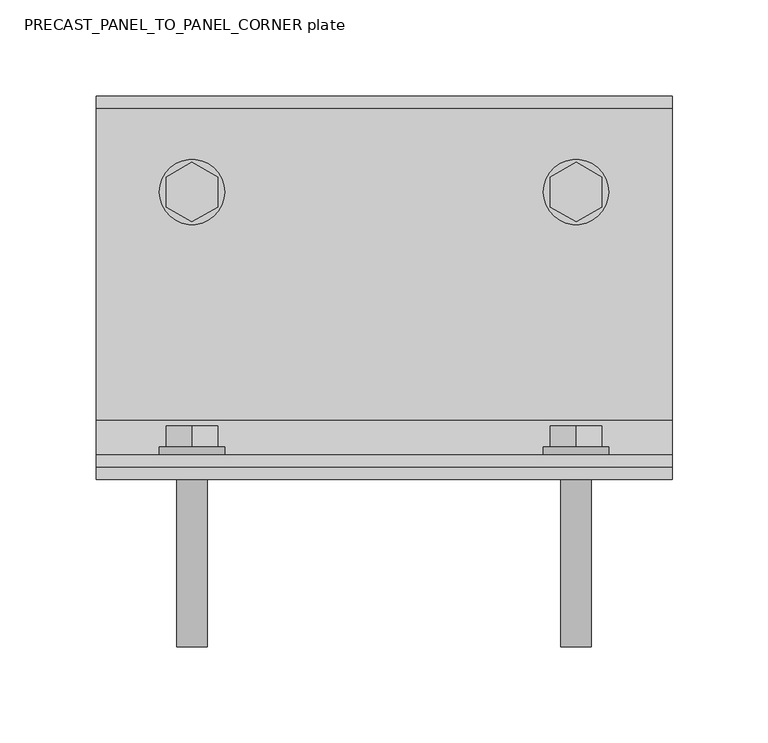
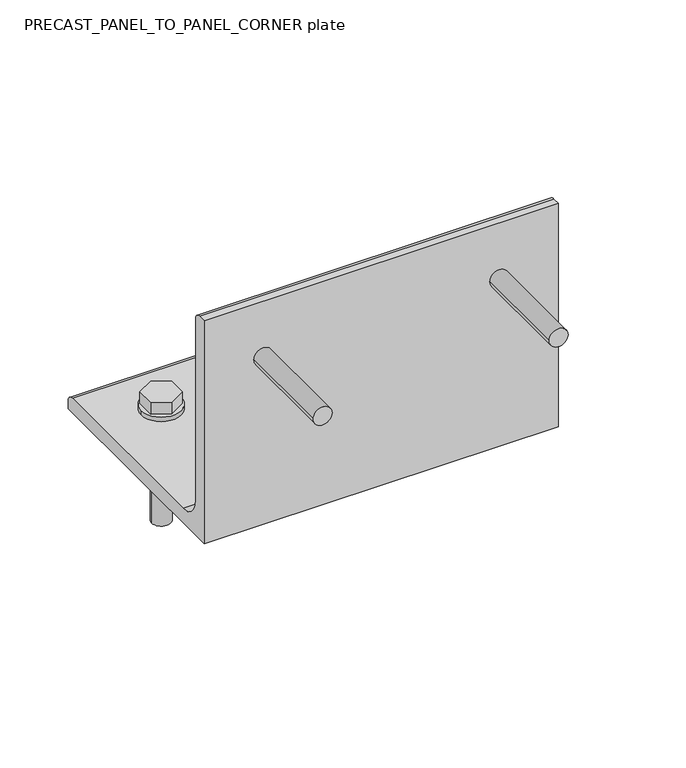
"""IFC4 building model written with IfcOpenShell, lengths in millimetres: fastener geometry, PRECAST_PANEL_TO_PANEL_CORNER plate."""

from ifc_helpers import new_model, si_unit, point, frame, frame_2d, origin, place, context, project, spatial, polyline, circle_curve, trimmed, segment, composite_curve, outline, extrude, source, transform, mapped, element, save


def precast_panel_to_panel_corner_plate_827b798b(model_context):
    return source(origin(), model_context, "Body", "SweptSolid", [
        extrude(outline(composite_curve([segment(trimmed(circle_curve(frame_2d((150.0, -100.0)), 17.0), [point((150.0, -83.0))], [point((150.0, -117.0))], False, "CARTESIAN"), True, "CONTINUOUS"), segment(trimmed(circle_curve(frame_2d((150.0, -100.0)), 17.0), [point((150.0, -117.0))], [point((150.0, -83.0))], False, "CARTESIAN"), True, "CONTINUOUS")], self_intersect=False)), frame((0.0, 13.0, 0.0), z_axis=(0.0, 1.0, 0.0), x_axis=(0.0, 0.0, 1.0)), (0.0, 0.0, 1.0), 4.0),
        extrude(outline(polyline([(165.5884573, -100.0), (157.7942286, -113.5), (142.2057714, -113.5), (134.4115427, -100.0), (142.2057714, -86.5), (157.7942286, -86.5), (165.5884573, -100.0)])), frame((0.0, 17.0, 0.0), z_axis=(0.0, 1.0, 0.0), x_axis=(0.0, 0.0, 1.0)), (0.0, 0.0, 1.0), 11.0),
        extrude(outline(composite_curve([segment(trimmed(circle_curve(frame_2d((150.0, -100.0)), 8.0), [point((150.0, -92.0))], [point((150.0, -108.0))], False, "CARTESIAN"), True, "CONTINUOUS"), segment(trimmed(circle_curve(frame_2d((150.0, -100.0)), 8.0), [point((150.0, -108.0))], [point((150.0, -92.0))], False, "CARTESIAN"), True, "CONTINUOUS")], self_intersect=False)), frame((0.0, -87.0, 0.0), z_axis=(0.0, 1.0, 0.0), x_axis=(0.0, 0.0, 1.0)), (0.0, 0.0, 1.0), 100.0),
        extrude(outline(composite_curve([segment(trimmed(circle_curve(frame_2d((150.0, 100.0)), 17.0), [point((150.0, 117.0))], [point((150.0, 83.0))], False, "CARTESIAN"), True, "CONTINUOUS"), segment(trimmed(circle_curve(frame_2d((150.0, 100.0)), 17.0), [point((150.0, 83.0))], [point((150.0, 117.0))], False, "CARTESIAN"), True, "CONTINUOUS")], self_intersect=False)), frame((0.0, 13.0, 0.0), z_axis=(0.0, 1.0, 0.0), x_axis=(0.0, 0.0, 1.0)), (0.0, 0.0, 1.0), 4.0),
        extrude(outline(polyline([(165.5884573, 100.0), (157.7942286, 86.5), (142.2057714, 86.5), (134.4115427, 100.0), (142.2057714, 113.5), (157.7942286, 113.5), (165.5884573, 100.0)])), frame((0.0, 17.0, 0.0), z_axis=(0.0, 1.0, 0.0), x_axis=(0.0, 0.0, 1.0)), (0.0, 0.0, 1.0), 11.0),
        extrude(outline(composite_curve([segment(trimmed(circle_curve(frame_2d((150.0, 100.0)), 8.0), [point((150.0, 108.0))], [point((150.0, 92.0))], False, "CARTESIAN"), True, "CONTINUOUS"), segment(trimmed(circle_curve(frame_2d((150.0, 100.0)), 8.0), [point((150.0, 92.0))], [point((150.0, 108.0))], False, "CARTESIAN"), True, "CONTINUOUS")], self_intersect=False)), frame((0.0, -87.0, 0.0), z_axis=(0.0, 1.0, 0.0), x_axis=(0.0, 0.0, 1.0)), (0.0, 0.0, 1.0), 100.0),
        extrude(outline(composite_curve([segment(trimmed(circle_curve(frame_2d((100.0, 150.0)), 17.0), [point((83.0, 150.0))], [point((117.0, 150.0))], False, "CARTESIAN"), True, "CONTINUOUS"), segment(trimmed(circle_curve(frame_2d((100.0, 150.0)), 17.0), [point((117.0, 150.0))], [point((83.0, 150.0))], False, "CARTESIAN"), True, "CONTINUOUS")], self_intersect=False)), frame((0.0, 0.0, 13.0), z_axis=(0.0, 0.0, 1.0), x_axis=(1.0, 0.0, 0.0)), (0.0, 0.0, 1.0), 4.0),
        extrude(outline(polyline([(100.0, 165.5884573), (113.5, 157.7942286), (113.5, 142.2057714), (100.0, 134.4115427), (86.5, 142.2057714), (86.5, 157.7942286), (100.0, 165.5884573)])), frame((0.0, 0.0, 17.0), z_axis=(0.0, 0.0, 1.0), x_axis=(1.0, 0.0, 0.0)), (0.0, 0.0, 1.0), 11.0),
        extrude(outline(composite_curve([segment(trimmed(circle_curve(frame_2d((100.0, 150.0)), 8.0), [point((92.0, 150.0))], [point((108.0, 150.0))], False, "CARTESIAN"), True, "CONTINUOUS"), segment(trimmed(circle_curve(frame_2d((100.0, 150.0)), 8.0), [point((108.0, 150.0))], [point((92.0, 150.0))], False, "CARTESIAN"), True, "CONTINUOUS")], self_intersect=False)), frame((0.0, 0.0, -87.0), z_axis=(0.0, 0.0, 1.0), x_axis=(1.0, 0.0, 0.0)), (0.0, 0.0, 1.0), 100.0),
        extrude(outline(composite_curve([segment(trimmed(circle_curve(frame_2d((-100.0, 150.0)), 17.0), [point((-117.0, 150.0))], [point((-83.0, 150.0))], False, "CARTESIAN"), True, "CONTINUOUS"), segment(trimmed(circle_curve(frame_2d((-100.0, 150.0)), 17.0), [point((-83.0, 150.0))], [point((-117.0, 150.0))], False, "CARTESIAN"), True, "CONTINUOUS")], self_intersect=False)), frame((0.0, 0.0, 13.0), z_axis=(0.0, 0.0, 1.0), x_axis=(1.0, 0.0, 0.0)), (0.0, 0.0, 1.0), 4.0),
        extrude(outline(polyline([(-100.0, 165.5884573), (-86.5, 157.7942286), (-86.5, 142.2057714), (-100.0, 134.4115427), (-113.5, 142.2057714), (-113.5, 157.7942286), (-100.0, 165.5884573)])), frame((0.0, 0.0, 17.0), z_axis=(0.0, 0.0, 1.0), x_axis=(1.0, 0.0, 0.0)), (0.0, 0.0, 1.0), 11.0),
        extrude(outline(composite_curve([segment(trimmed(circle_curve(frame_2d((-100.0, 150.0)), 8.0), [point((-108.0, 150.0))], [point((-92.0, 150.0))], False, "CARTESIAN"), True, "CONTINUOUS"), segment(trimmed(circle_curve(frame_2d((-100.0, 150.0)), 8.0), [point((-92.0, 150.0))], [point((-108.0, 150.0))], False, "CARTESIAN"), True, "CONTINUOUS")], self_intersect=False)), frame((0.0, 0.0, -87.0), z_axis=(0.0, 0.0, 1.0), x_axis=(1.0, 0.0, 0.0)), (0.0, 0.0, 1.0), 100.0),
        extrude(outline(composite_curve([segment(polyline([(0.0, 200.0), (6.5, 200.0)]), True, "CONTINUOUS"), segment(trimmed(circle_curve(frame_2d((6.5, 193.5)), 6.5), [point((6.5, 200.0))], [point((13.0, 193.5))], False, "CARTESIAN"), True, "CONTINUOUS"), segment(polyline([(13.0, 193.5), (13.0, 31.0)]), True, "CONTINUOUS"), segment(trimmed(circle_curve(frame_2d((31.0, 31.0)), 18.0), [point((13.0, 31.0))], [point((31.0, 13.0))], True, "CARTESIAN"), True, "CONTINUOUS"), segment(polyline([(31.0, 13.0), (193.5, 13.0)]), True, "CONTINUOUS"), segment(trimmed(circle_curve(frame_2d((193.5, 6.5)), 6.5), [point((193.5, 13.0))], [point((200.0, 6.5))], False, "CARTESIAN"), True, "CONTINUOUS"), segment(polyline([(200.0, 6.5), (200.0, 0.0), (0.0, 0.0), (0.0, 200.0)]), True, "CONTINUOUS")], self_intersect=False)), frame((-150.0, 0.0, 0.0), z_axis=(1.0, 0.0, 0.0), x_axis=(0.0, 1.0, 0.0)), (0.0, 0.0, 1.0), 300.0),
    ])


if __name__ == "__main__":
    model = new_model("IFC4")
    model_context = context("Model", 3, world=origin())
    ifc_project = project(units=[si_unit("LENGTHUNIT", "METRE", prefix="MILLI")], contexts=[model_context])
    site = spatial("IfcSite", under=ifc_project)
    building = spatial("IfcBuilding", under=site)
    placement = place(None, origin())
    precast_panel_to_panel_corner_plate_shape = precast_panel_to_panel_corner_plate_827b798b(model_context)
    element("IfcFastener", 1, ObjectType="PRECAST_PANEL_TO_PANEL_CORNER plate", at=placement, inside=building, context=model_context, shape_type="MappedRepresentation", body=[
        mapped(precast_panel_to_panel_corner_plate_shape, transform((0.0, 0.0, 0.0), x_axis=(1.0, 0.0, 0.0), y_axis=(0.0, 1.0, 0.0), z_axis=(0.0, 0.0, 1.0))),
    ])
    save(model, "model.ifc")
